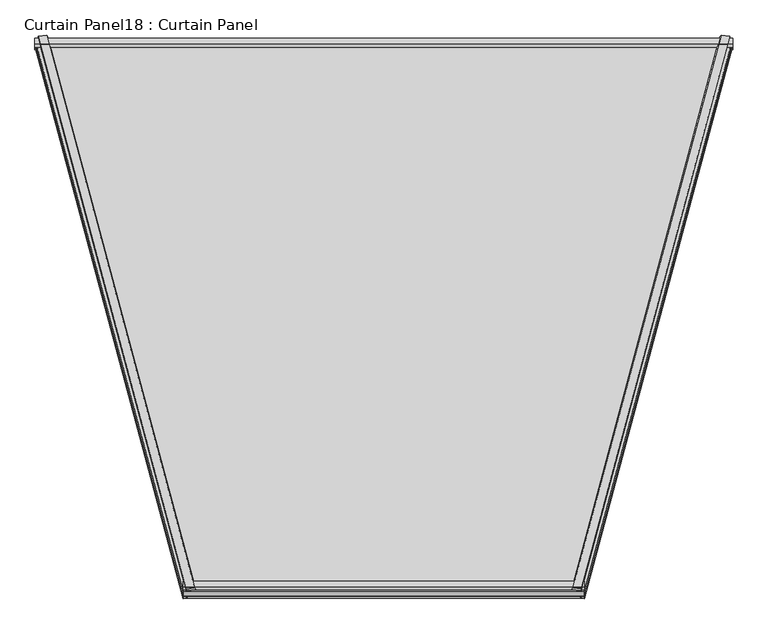
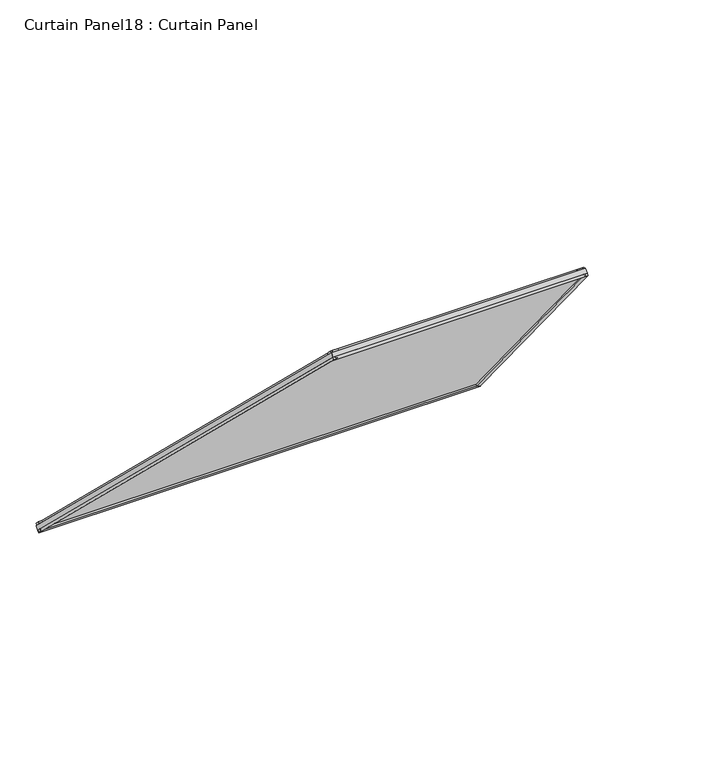
"""IFC4 building model written with IfcOpenShell, lengths in millimetres: plate geometry, Curtain Panel18 : Curtain Panel."""

from ifc_helpers import new_model, si_unit, frame, origin, place, context, project, spatial, polyline, outline, extrude, source, transform, mapped, element, save


def curtain_panel18_curtain_panel_f009957c(model_context):
    return source(origin(), model_context, "Body", "SweptSolid", [
        extrude(outline(polyline([(22.2987561, -6.0399175), (22.3516688, -22.5808042), (17.5121094, -25.3444409), (17.5121093, -6.0552295), (22.2987561, -6.0399175)])), frame((-12872.667978, -11160.8038934, 2448.1208752), z_axis=(0.183012701892221, -0.6830127018922182, 0.7071067811865482), x_axis=(0.0, 0.7192545966764051, 0.6947465906068643)), (0.0, 0.0, 1.0), 1550.2697468),
        extrude(outline(polyline([(-2.4419845, 0.0), (4.7128906, 0.0), (4.7128906, -11.4133121), (-0.1065105, -12.3264377), (-2.4419845, 0.0)])), frame((-12872.667978, -11160.8038934, 2448.1208752), z_axis=(0.183012701892221, -0.6830127018922182, 0.7071067811865482), x_axis=(0.0, 0.7192545966764051, 0.6947465906068643)), (0.0, 0.0, 1.0), 1550.2697468),
        extrude(outline(polyline([(22.3831197, 5.9476601), (17.5121094, 5.963242), (17.5121094, 25.3444409), (22.4361732, 22.5325479), (22.3831197, 5.9476601)])), frame((-11535.7062654, -11160.8038944, 2448.1208762), z_axis=(-0.18301270189220892, -0.6830127018922186, 0.707106781186551), x_axis=(0.0, 0.7192545966764052, 0.6947465906068643)), (0.0, 0.0, 1.0), 1550.2697454),
        extrude(outline(polyline([(-2.3405704, 0.0), (-0.0198592, 12.2485207), (4.7128906, 11.3518128), (4.7128907, 0.0), (-2.3405704, 0.0)])), frame((-11535.7062654, -11160.8038944, 2448.1208762), z_axis=(-0.18301270189220892, -0.6830127018922186, 0.707106781186551), x_axis=(0.0, 0.7192545966764052, 0.6947465906068643)), (0.0, 0.0, 1.0), 1550.2697454),
        extrude(outline(polyline([(-11157.4141261, 2451.3951409), (-11164.2913862, 2447.5796422), (-11169.6894185, 2457.3093459), (-11166.9800514, 2461.2985155), (-11157.4141261, 2451.3951409)])), frame((-12872.6679855, 0.0, 0.0), z_axis=(1.0, 0.0, 0.0), x_axis=(0.0, 1.0, 0.0)), (0.0, 0.0, 1.0), 1336.9617201),
        extrude(outline(polyline([(-11159.8490464, 2479.4739025), (-11148.2675555, 2467.4899121), (-11150.957755, 2463.1338731), (-11165.1319547, 2477.8080844), (-11159.8490464, 2479.4739025)])), frame((-12872.6679855, 0.0, 0.0), z_axis=(1.0, 0.0, 0.0), x_axis=(0.0, 1.0, 0.0)), (0.0, 0.0, 1.0), 1336.9617201),
        extrude(outline(polyline([(-12216.2680536, 3547.6013905), (-12206.7021283, 3537.6980159), (-12210.7827932, 3535.1285182), (-12220.3195875, 3540.8604849), (-12216.2680536, 3547.6013905)])), frame((-12588.8924195, 0.0, 0.0), z_axis=(1.0, 0.0, 0.0), x_axis=(0.0, 1.0, 0.0)), (0.0, 0.0, 1.0), 769.4105958),
        extrude(outline(polyline([(-12188.2905379, 3544.1948816), (-12190.1384311, 3538.9728742), (-12204.3126308, 3553.6470855), (-12199.8659811, 3556.1847135), (-12188.2905379, 3544.1948816)])), frame((-12588.8924195, 0.0, 0.0), z_axis=(1.0, 0.0, 0.0), x_axis=(0.0, 1.0, 0.0)), (0.0, 0.0, 1.0), 769.4105958),
        extrude(outline(polyline([(-15.9777064, 0.0), (-260.6586817, -1314.3811626), (-1707.0800455, -756.5267715), (-1566.2474518, 0.0), (-15.9777064, 0.0)])), frame((-12875.592101, -11146.5011497, 2440.0971964), z_axis=(0.0, 0.7192545966764052, 0.6947465906068642), x_axis=(-0.18301270189221713, 0.6830127018922186, -0.7071067811865488)), (0.0, 0.0, 1.0), 12.7992187),
    ])


if __name__ == "__main__":
    model = new_model("IFC4")
    model_context = context("Model", 3, world=origin())
    ifc_project = project(units=[si_unit("LENGTHUNIT", "METRE", prefix="MILLI")], contexts=[model_context])
    site = spatial("IfcSite", under=ifc_project)
    building = spatial("IfcBuilding", under=site)
    placement = place(None, origin())
    curtain_panel18_curtain_panel_shape = curtain_panel18_curtain_panel_f009957c(model_context)
    element("IfcPlate", 1, ObjectType="Curtain Panel18 : Curtain Panel", at=placement, inside=building, context=model_context, shape_type="MappedRepresentation", body=[
        mapped(curtain_panel18_curtain_panel_shape, transform((0.0, 0.0, 0.0), x_axis=(1.0, 0.0, 0.0), y_axis=(0.0, 1.0, 0.0), z_axis=(0.0, 0.0, 1.0))),
    ])
    save(model, "model.ifc")
